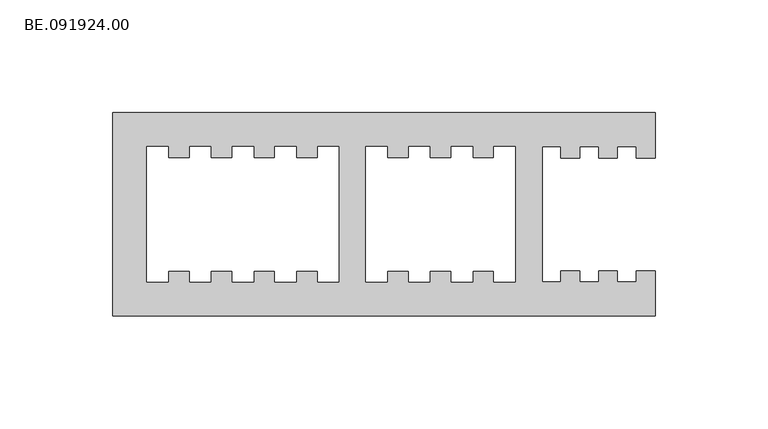
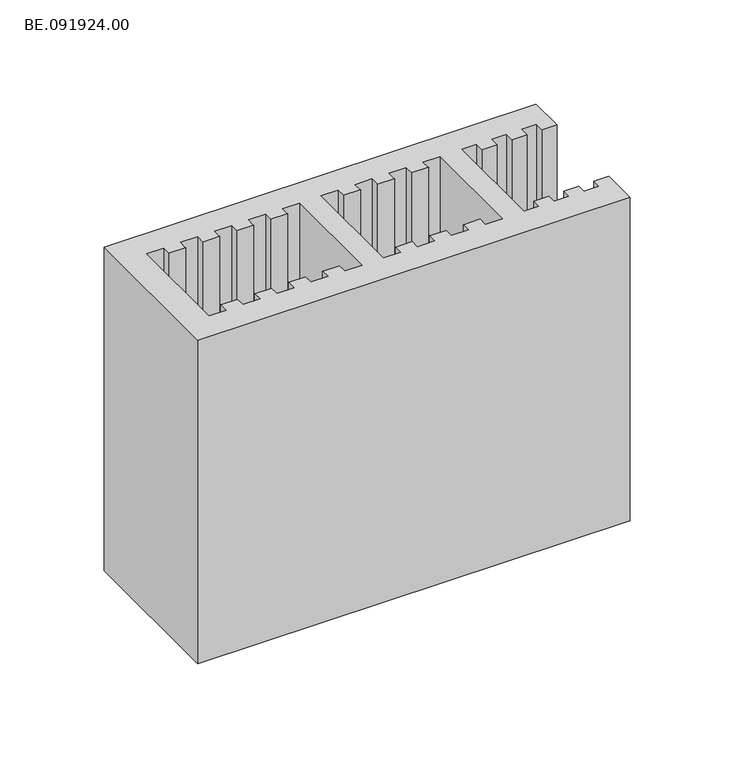
"""IFC4 building model written with IfcOpenShell, lengths in millimetres: proxy geometry, BE.091924.00."""

from ifc_helpers import new_model, si_unit, origin, origin_with_axes, place, context, project, spatial, polyline, outline, extrude, source, transform, mapped, element, save


def be_091924_00_b42f0d2f(model_context):
    return source(origin(), model_context, "Body", "SweptSolid", [
        extrude(outline(polyline([(5.0, 45.0019043), (245.0039551, 45.0019043), (245.0039551, 25.003125), (236.6695801, 25.003125), (236.6695801, 30.0074707), (228.3352051, 30.0074707), (228.3352051, 25.003125), (220.0008301, 25.003125), (220.0008301, 30.0074707), (211.6664551, 30.0074707), (211.6664551, 25.003125), (203.3320801, 25.003125), (203.3320801, 30.0074707), (194.9977051, 30.0074707), (194.9977051, -29.9888672), (203.3320801, -29.9888672), (203.3320801, -24.9845215), (211.6664551, -24.9845215), (211.6664551, -29.9888672), (220.0008301, -29.9888672), (220.0008301, -24.9845215), (228.3352051, -24.9845215), (228.3352051, -29.9888672), (236.6695801, -29.9888672), (236.6695801, -24.9845215), (245.0039551, -24.9845215), (245.0039551, -44.9833008), (5.0, -44.9833008), (5.0, 45.0019043)]), holes=[polyline([(145.3263184, 25.003125), (145.3263184, 30.0074707), (135.8943359, 30.0074707), (135.8943359, 25.003125), (126.44375, 25.003125), (126.44375, 30.0074707), (116.9931641, 30.0074707), (116.9931641, -29.9888672), (126.44375, -29.9888672), (126.44375, -24.9845215), (135.8943359, -24.9845215), (135.8943359, -29.9888672), (145.3263184, -29.9888672), (145.3263184, -24.9845215), (154.7769043, -24.9845215), (154.7769043, -29.9888672), (164.2274902, -29.9888672), (164.2274902, -24.9845215), (173.6594727, -24.9845215), (173.6594727, -29.9888672), (182.9984375, -29.9888672), (182.9984375, 30.0074707), (173.6594727, 30.0074707), (173.6594727, 25.003125), (164.2274902, 25.003125), (164.2274902, 30.0074707), (154.7769043, 30.0074707), (154.7769043, 25.003125), (145.3263184, 25.003125)]), polyline([(95.5619141, 25.003125), (86.1113281, 25.003125), (86.1113281, 30.0074707), (76.6607422, 30.0074707), (76.6607422, 25.003125), (67.2287598, 25.003125), (67.2287598, 30.0074707), (57.7781738, 30.0074707), (57.7781738, 25.003125), (48.3275879, 25.003125), (48.3275879, 30.0074707), (38.8956055, 30.0074707), (38.8956055, 25.003125), (29.4450195, 25.003125), (29.4450195, 30.0074707), (19.9944336, 30.0074707), (19.9944336, -29.9888672), (29.4450195, -29.9888672), (29.4450195, -24.9845215), (38.8956055, -24.9845215), (38.8956055, -29.9888672), (48.3275879, -29.9888672), (48.3275879, -24.9845215), (57.7781738, -24.9845215), (57.7781738, -29.9888672), (67.2287598, -29.9888672), (67.2287598, -24.9845215), (76.6607422, -24.9845215), (76.6607422, -29.9888672), (86.1113281, -29.9888672), (86.1113281, -24.9845215), (95.5619141, -24.9845215), (95.5619141, -29.9888672), (104.9938965, -29.9888672), (104.9938965, 30.0074707), (95.5619141, 30.0074707), (95.5619141, 25.003125)])]), origin_with_axes(), (0.0, 0.0, 1.0), 190.0),
    ])


if __name__ == "__main__":
    model = new_model("IFC4")
    model_context = context("Model", 3, world=origin())
    ifc_project = project(units=[si_unit("LENGTHUNIT", "METRE", prefix="MILLI")], contexts=[model_context])
    site = spatial("IfcSite", under=ifc_project)
    building = spatial("IfcBuilding", under=site)
    placement = place(None, origin())
    be_091924_00_shape = be_091924_00_b42f0d2f(model_context)
    element("IfcBuildingElementProxy", 1, Name="BE.091924.00", ObjectType="BE.091924.00", at=placement, inside=building, context=model_context, shape_type="MappedRepresentation", body=[
        mapped(be_091924_00_shape, transform((0.0, 0.0, 0.0), x_axis=(1.0, 0.0, 0.0), y_axis=(0.0, 1.0, 0.0), z_axis=(0.0, 0.0, 1.0))),
    ])
    save(model, "model.ifc")
